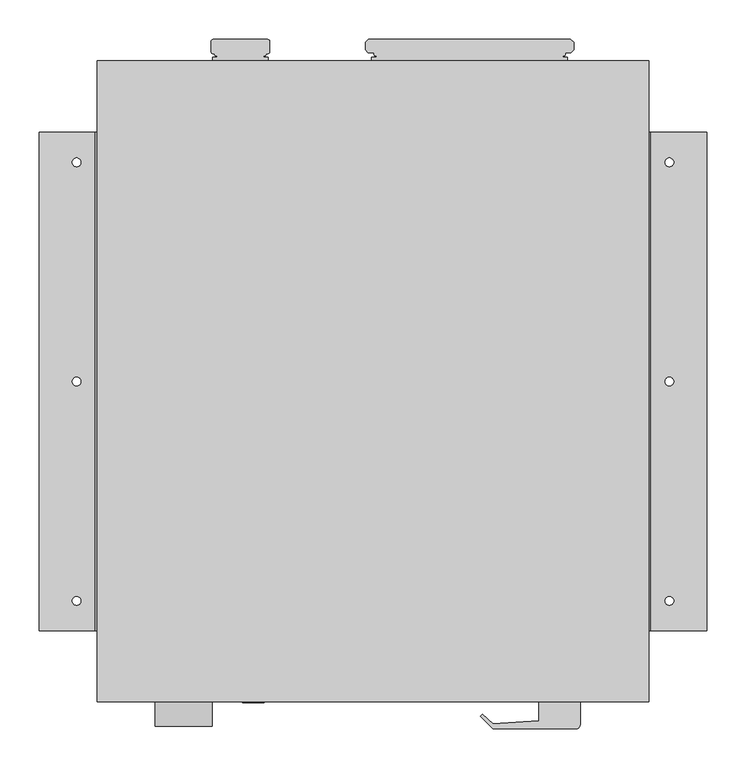
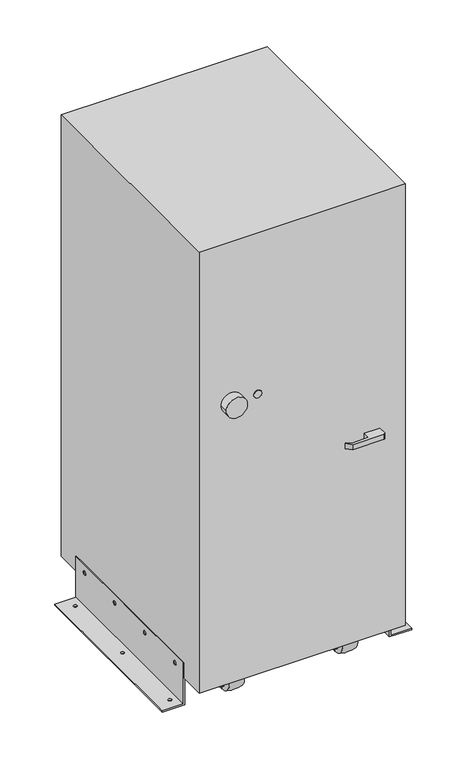
"""IFC4 building model written with IfcOpenShell, lengths in millimetres: proxy geometry."""

from ifc_helpers import new_model, si_unit, point, frame, frame_2d, origin, place, context, project, spatial, polyline, circle_curve, ellipse_curve, trimmed, segment, composite_curve, outline, extrude, source, transform, mapped, element, save
from ifc_brep_helpers import plane_surface, cylinder_surface, revolved_surface, extruded_surface, advanced_brep


def specialty_equipment_45e6154e(model_context):
    return source(origin(), model_context, "Body", "SolidModel", [
        advanced_brep(
        [(-134.6868444, 435.864, 735.0), (-203.2695943, 435.864, 735.0), (-206.441817, 432.8217426, 735.0), (-206.441817, 420.6297426, 735.0), (-203.2695943, 417.322, 735.0), (-201.6663312, 417.322, 735.0), (-201.6663312, 416.4128159, 735.0), (-200.9542508, 414.782, 735.0), (-198.6047508, 414.782, 735.0), (-198.6047508, 412.877, 735.0), (-204.5290446, 412.877, 735.0), (-204.5290446, 408.305, 735.0), (-133.4273941, 408.305, 735.0), (-133.4273941, 412.877, 735.0), (-139.351688, 412.877, 735.0), (-139.351688, 414.782, 735.0), (-137.002188, 414.782, 735.0), (-136.2901075, 416.4128159, 735.0), (-136.2901075, 417.322, 735.0), (-134.6868444, 417.322, 735.0), (-131.5146218, 420.6297426, 735.0), (-131.5146218, 432.8217426, 735.0), (-134.6868444, 435.864, 610.0), (-131.5146218, 432.8217426, 610.0), (-131.5146218, 420.6297426, 610.0), (-134.6868444, 417.322, 610.0), (-136.2901075, 417.322, 610.0), (-136.2901075, 416.4128159, 610.0), (-137.002188, 414.782, 610.0), (-139.351688, 414.782, 610.0), (-139.351688, 412.877, 610.0), (-133.4273941, 412.877, 610.0), (-133.4273941, 408.305, 610.0), (-204.5290446, 408.305, 610.0), (-204.5290446, 412.877, 610.0), (-198.6047508, 412.877, 610.0), (-198.6047508, 414.782, 610.0), (-200.9542508, 414.782, 610.0), (-201.6663312, 416.4128159, 610.0), (-201.6663312, 417.322, 610.0), (-203.2695943, 417.322, 610.0), (-206.441817, 420.6297426, 610.0), (-206.441817, 432.8217426, 610.0), (-203.2695943, 435.864, 610.0)],
        [
            (0, 1),
            (1, 2, ellipse_curve(frame((-203.2695943, 432.689, 735.0), z_axis=(0.0, 0.0, 1.0), x_axis=(0.0, 1.0, 0.0)), 3.175, 3.1749988)),
            (2, 3),
            (3, 4, ellipse_curve(frame((-203.2695943, 420.497, 735.0), z_axis=(0.0, 0.0, 1.0), x_axis=(0.0, -1.0, 0.0)), 3.175, 3.1749988)),
            (4, 5),
            (5, 6),
            (6, 7),
            (7, 8),
            (8, 9),
            (9, 10),
            (10, 11),
            (11, 12),
            (12, 13),
            (13, 14),
            (14, 15),
            (15, 16),
            (16, 17),
            (17, 18),
            (18, 19),
            (19, 20, ellipse_curve(frame((-134.6868444, 420.497, 735.0), z_axis=(0.0, 0.0, 1.0), x_axis=(0.0, -1.0, 0.0)), 3.175, 3.1749988)),
            (20, 21),
            (21, 0, ellipse_curve(frame((-134.6868444, 432.689, 735.0), z_axis=(0.0, 0.0, 1.0), x_axis=(0.0, 1.0, 0.0)), 3.175, 3.1749988)),
            (22, 23, ellipse_curve(frame((-134.6868444, 432.689, 610.0), z_axis=(0.0, 0.0, -1.0), x_axis=(0.0, 1.0, 0.0)), 3.175, 3.1749988)),
            (23, 24),
            (24, 25, ellipse_curve(frame((-134.6868444, 420.497, 610.0), z_axis=(0.0, 0.0, -1.0), x_axis=(0.0, -1.0, 0.0)), 3.175, 3.1749988)),
            (25, 26),
            (26, 27),
            (27, 28),
            (28, 29),
            (29, 30),
            (30, 31),
            (31, 32),
            (32, 33),
            (33, 34),
            (34, 35),
            (35, 36),
            (36, 37),
            (37, 38),
            (38, 39),
            (39, 40),
            (40, 41, ellipse_curve(frame((-203.2695943, 420.497, 610.0), z_axis=(0.0, 0.0, -1.0), x_axis=(0.0, -1.0, 0.0)), 3.175, 3.1749988)),
            (41, 42),
            (42, 43, ellipse_curve(frame((-203.2695943, 432.689, 610.0), z_axis=(0.0, 0.0, -1.0), x_axis=(0.0, 1.0, 0.0)), 3.175, 3.1749988)),
            (43, 22),
            (0, 22),
            (43, 1),
            (5, 39),
            (38, 6),
            (37, 7),
            (36, 8),
            (35, 9),
            (34, 10),
            (33, 11),
            (32, 12),
            (42, 2),
            (41, 3),
            (40, 4),
            (31, 13),
            (30, 14),
            (29, 15),
            (28, 16),
            (27, 17),
            (26, 18),
            (25, 19),
            (24, 20),
            (23, 21),
        ],
        [
            plane_surface(frame((-204.7742998, 435.864, 735.0), z_axis=(0.0, 0.0, 1.0), x_axis=(-1.0, 0.0, 0.0))),
            plane_surface(frame((-204.7742998, 435.864, 610.0), z_axis=(0.0, 0.0, -1.0), x_axis=(1.0, 0.0, 0.0))),
            plane_surface(frame((-134.6868444, 435.864, 735.0), z_axis=(0.0, 1.0, 0.0), x_axis=(0.0, 0.0, -1.0))),
            plane_surface(frame((-201.6663312, 417.322, 735.0), z_axis=(-1.0, 0.0, 0.0), x_axis=(0.0, 0.0, -1.0))),
            plane_surface(frame((-201.6663312, 416.4128159, 735.0), z_axis=(-0.9164463129319121, -0.40015766331972685, 0.0), x_axis=(0.0, 0.0, -1.0))),
            plane_surface(frame((-200.9542508, 414.782, 735.0), z_axis=(0.0, -1.0, 0.0), x_axis=(0.0, 0.0, -1.0))),
            plane_surface(frame((-198.6047508, 414.782, 735.0), z_axis=(-1.0, 0.0, 0.0), x_axis=(0.0, 0.0, -1.0))),
            plane_surface(frame((-198.6047508, 412.877, 735.0), z_axis=(0.0, 1.0, 0.0), x_axis=(0.0, 0.0, -1.0))),
            plane_surface(frame((-204.5290446, 412.877, 735.0), z_axis=(-1.0, 0.0, 0.0), x_axis=(0.0, 0.0, -1.0))),
            plane_surface(frame((-204.5290446, 408.305, 735.0), z_axis=(0.0, -1.0, 0.0), x_axis=(0.0, 0.0, -1.0))),
            extruded_surface(trimmed(ellipse_curve(frame((-203.2695943, 432.689, 485.0), z_axis=(0.0, 0.0, 1.0), x_axis=(0.0, 1.0, 0.0)), 3.175, 3.1749988), [point((-203.2695943, 435.864, 485.0))], [point((-206.441817, 432.8217426, 485.0))], True, "CARTESIAN"), (0.0, 0.0, 125.0), 125.0),
            plane_surface(frame((-206.441817, 432.8217426, 735.0), z_axis=(-1.0, 0.0, 0.0), x_axis=(0.0, 0.0, -1.0))),
            extruded_surface(trimmed(ellipse_curve(frame((-203.2695943, 420.497, 485.0), z_axis=(0.0, 0.0, 1.0), x_axis=(0.0, -1.0, 0.0)), 3.175, 3.1749988), [point((-206.441817, 420.6297426, 485.0))], [point((-203.2695943, 417.322, 485.0))], True, "CARTESIAN"), (0.0, 0.0, 125.0), 125.0),
            plane_surface(frame((-203.2695943, 417.322, 735.0), z_axis=(0.0, -1.0, 0.0), x_axis=(0.0, 0.0, -1.0))),
            plane_surface(frame((-133.4273941, 408.305, 735.0), z_axis=(1.0, 0.0, 0.0), x_axis=(0.0, 0.0, -1.0))),
            plane_surface(frame((-133.4273941, 412.877, 735.0), z_axis=(0.0, 1.0, 0.0), x_axis=(0.0, 0.0, -1.0))),
            plane_surface(frame((-139.351688, 412.877, 735.0), z_axis=(1.0, 0.0, 0.0), x_axis=(0.0, 0.0, -1.0))),
            plane_surface(frame((-139.351688, 414.782, 735.0), z_axis=(0.0, -1.0, 0.0), x_axis=(0.0, 0.0, -1.0))),
            plane_surface(frame((-137.002188, 414.782, 735.0), z_axis=(0.9164463129319121, -0.40015766331972685, 0.0), x_axis=(0.0, 0.0, -1.0))),
            plane_surface(frame((-136.2901075, 416.4128159, 735.0), z_axis=(1.0, 0.0, 0.0), x_axis=(0.0, 0.0, -1.0))),
            plane_surface(frame((-136.2901075, 417.322, 735.0), z_axis=(0.0, -1.0, 0.0), x_axis=(0.0, 0.0, -1.0))),
            extruded_surface(trimmed(ellipse_curve(frame((-134.6868444, 420.497, 485.0), z_axis=(0.0, 0.0, 1.0), x_axis=(0.0, -1.0, 0.0)), 3.175, 3.1749988), [point((-134.6868444, 417.322, 485.0))], [point((-131.5146218, 420.6297426, 485.0))], True, "CARTESIAN"), (0.0, 0.0, 125.0), 125.0),
            plane_surface(frame((-131.5146218, 420.6297426, 735.0), z_axis=(1.0, 0.0, 0.0), x_axis=(0.0, 0.0, -1.0))),
            extruded_surface(trimmed(ellipse_curve(frame((-134.6868444, 432.689, 485.0), z_axis=(0.0, 0.0, 1.0), x_axis=(0.0, 1.0, 0.0)), 3.175, 3.1749988), [point((-131.5146218, 432.8217426, 485.0))], [point((-134.6868444, 435.864, 485.0))], True, "CARTESIAN"), (0.0, 0.0, 125.0), 125.0),
        ],
        [
            (0, [[1, 2, 3, 4, 5, 6, 7, 8, 9, 10, 11, 12, 13, 14, 15, 16, 17, 18, 19, 20, 21, 22]]),
            (1, [[23, 24, 25, 26, 27, 28, 29, 30, 31, 32, 33, 34, 35, 36, 37, 38, 39, 40, 41, 42, 43, 44]]),
            (2, [[-1, 45, -44, 46]]),
            (3, [[-6, 47, -39, 48]]),
            (4, [[-7, -48, -38, 49]]),
            (5, [[-8, -49, -37, 50]]),
            (6, [[-9, -50, -36, 51]]),
            (7, [[-10, -51, -35, 52]]),
            (8, [[-11, -52, -34, 53]]),
            (9, [[-12, -53, -33, 54]]),
            (10, [[-2, -46, -43, 55]]),
            (11, [[-3, -55, -42, 56]]),
            (12, [[-4, -56, -41, 57]]),
            (13, [[-5, -57, -40, -47]]),
            (14, [[-13, -54, -32, 58]]),
            (15, [[-14, -58, -31, 59]]),
            (16, [[-15, -59, -30, 60]]),
            (17, [[-16, -60, -29, 61]]),
            (18, [[-17, -61, -28, 62]]),
            (19, [[-18, -62, -27, 63]]),
            (20, [[-19, -63, -26, 64]]),
            (21, [[-20, -64, -25, 65]]),
            (22, [[-21, -65, -24, 66]]),
            (23, [[-22, -66, -23, -45]]),
        ],
    ),
        extrude(outline(polyline([(251.9088496, 435.864), (255.8458496, 431.927), (255.8458496, 422.529), (252.3103157, 418.9934661), (245.1235804, 418.9934661), (245.1235804, 416.4128159), (244.4115, 414.782), (242.062, 414.782), (242.062, 412.877), (247.9862938, 412.877), (247.9862938, 408.305), (-1.7245659, 408.305), (-1.7245659, 412.877), (4.1997279, 412.877), (4.1997279, 414.782), (1.8502279, 414.782), (1.1381475, 416.4128159), (1.1381475, 418.9934661), (-6.0485878, 418.9934661), (-9.5841217, 422.529), (-9.5841217, 431.927), (-5.6471217, 435.864), (251.9088496, 435.864)])), frame((0.0, 0.0, 610.0), z_axis=(0.0, 0.0, 1.0), x_axis=(1.0, 0.0, 0.0)), (0.0, 0.0, 1.0), 125.0),
        extrude(outline(composite_curve([segment(polyline([(-336.943038, 72.8965977), (-321.1905949, 97.028), (-245.358757, 97.028), (-283.769462, 38.1860689)]), True, "CONTINUOUS"), segment(trimmed(circle_curve(frame_2d((-310.35625, 55.5413333)), 31.75), [point((-283.769462, 38.1860689))], [point((-336.943038, 72.8965977))], False, "CARTESIAN"), True, "CONTINUOUS")], self_intersect=False)), frame((156.1465, 0.0, 0.0), z_axis=(1.0, 0.0, 0.0), x_axis=(0.0, 1.0, 0.0)), (0.0, 0.0, 1.0), 6.35),
        extrude(outline(composite_curve([segment(polyline([(-336.943038, 72.8965977), (-321.1905949, 97.028), (-245.358757, 97.028), (-283.769462, 38.1860689)]), True, "CONTINUOUS"), segment(trimmed(circle_curve(frame_2d((-310.35625, 55.5413333)), 31.75), [point((-283.769462, 38.1860689))], [point((-336.943038, 72.8965977))], False, "CARTESIAN"), True, "CONTINUOUS")], self_intersect=False)), frame((224.3455, 0.0, 0.0), z_axis=(1.0, 0.0, 0.0), x_axis=(0.0, 1.0, 0.0)), (0.0, 0.0, 1.0), 6.35),
        advanced_brep(
        [(223.5835, -310.0, 48.9542667), (223.5835, -310.0, 62.1284), (240.8555, -310.0, 62.1284), (240.8555, -310.0, 48.9542667), (223.5835, -310.0, 34.8403333), (223.5835, -310.0, 76.2423333), (221.9346392, -310.0, 33.1914725), (221.9346392, -310.0, 77.8911941), (218.821, -310.0, 33.1914725), (218.821, -310.0, 77.8911941), (218.821, -310.0, 8.1914725), (218.821, -310.0, 102.8911941), (168.021, -310.0, 8.1914725), (168.021, -310.0, 102.8911941), (168.021, -310.0, 33.1914725), (168.021, -310.0, 77.8911941), (164.9073608, -310.0, 33.1914725), (164.9073608, -310.0, 77.8911941), (163.2585, -310.0, 34.8403333), (163.2585, -310.0, 76.2423333), (163.2585, -310.0, 48.9542667), (163.2585, -310.0, 62.1284), (145.9865, -310.0, 48.9542667), (145.9865, -310.0, 62.1284), (145.9865, -310.0, 55.5413333), (240.8555, -310.0, 55.5413333)],
        [
            (0, 1, circle_curve(frame((223.5835, -310.0, 55.5413333), z_axis=(1.0, 0.0, 0.0), x_axis=(0.0, 0.0, 1.0)), 6.5870667)),
            (1, 2),
            (2, 3, circle_curve(frame((240.8555, -310.0, 55.5413333), z_axis=(-1.0, 0.0, 0.0), x_axis=(0.0, 0.0, 1.0)), 6.5870667)),
            (3, 0),
            (1, 0, circle_curve(frame((223.5835, -310.0, 55.5413333), z_axis=(1.0, 0.0, 0.0), x_axis=(0.0, 0.0, 1.0)), 6.5870667)),
            (3, 2, circle_curve(frame((240.8555, -310.0, 55.5413333), z_axis=(-1.0, 0.0, 0.0), x_axis=(0.0, 0.0, 1.0)), 6.5870667)),
            (4, 5, circle_curve(frame((223.5835, -310.0, 55.5413333), z_axis=(1.0, 0.0, 0.0), x_axis=(0.0, 0.0, 1.0)), 20.701)),
            (5, 1),
            (0, 4),
            (5, 4, circle_curve(frame((223.5835, -310.0, 55.5413333), z_axis=(1.0, 0.0, 0.0), x_axis=(0.0, 0.0, 1.0)), 20.701)),
            (6, 7, circle_curve(frame((221.9346392, -310.0, 55.5413333), z_axis=(1.0, 0.0, 0.0), x_axis=(0.0, 0.0, 1.0)), 22.3498608)),
            (7, 5),
            (4, 6),
            (7, 6, circle_curve(frame((221.9346392, -310.0, 55.5413333), z_axis=(1.0, 0.0, 0.0), x_axis=(0.0, 0.0, 1.0)), 22.3498608)),
            (8, 9, circle_curve(frame((218.821, -310.0, 55.5413333), z_axis=(1.0, 0.0, 0.0), x_axis=(0.0, 0.0, 1.0)), 22.3498608)),
            (9, 7),
            (6, 8),
            (9, 8, circle_curve(frame((218.821, -310.0, 55.5413333), z_axis=(1.0, 0.0, 0.0), x_axis=(0.0, 0.0, 1.0)), 22.3498608)),
            (10, 11, circle_curve(frame((218.821, -310.0, 55.5413333), z_axis=(1.0, 0.0, 0.0), x_axis=(0.0, 0.0, 1.0)), 47.3498608)),
            (11, 9),
            (8, 10),
            (11, 10, circle_curve(frame((218.821, -310.0, 55.5413333), z_axis=(1.0, 0.0, 0.0), x_axis=(0.0, 0.0, 1.0)), 47.3498608)),
            (12, 13, circle_curve(frame((168.021, -310.0, 55.5413333), z_axis=(1.0, 0.0, 0.0), x_axis=(0.0, 0.0, 1.0)), 47.3498608)),
            (13, 11, circle_curve(frame((193.421, -310.0, 11.1185865), z_axis=(0.0, 1.0, 0.0), x_axis=(1.0, 0.0, 0.0)), 95.2227468)),
            (10, 12, circle_curve(frame((193.421, -310.0, 99.9640801), z_axis=(0.0, 1.0, 0.0), x_axis=(1.0, 0.0, 0.0)), 95.2227468)),
            (13, 12, circle_curve(frame((168.021, -310.0, 55.5413333), z_axis=(1.0, 0.0, 0.0), x_axis=(0.0, 0.0, 1.0)), 47.3498608)),
            (14, 15, circle_curve(frame((168.021, -310.0, 55.5413333), z_axis=(1.0, 0.0, 0.0), x_axis=(0.0, 0.0, 1.0)), 22.3498608)),
            (15, 13),
            (12, 14),
            (15, 14, circle_curve(frame((168.021, -310.0, 55.5413333), z_axis=(1.0, 0.0, 0.0), x_axis=(0.0, 0.0, 1.0)), 22.3498608)),
            (16, 17, circle_curve(frame((164.9073608, -310.0, 55.5413333), z_axis=(1.0, 0.0, 0.0), x_axis=(0.0, 0.0, 1.0)), 22.3498608)),
            (17, 15),
            (14, 16),
            (17, 16, circle_curve(frame((164.9073608, -310.0, 55.5413333), z_axis=(1.0, 0.0, 0.0), x_axis=(0.0, 0.0, 1.0)), 22.3498608)),
            (18, 19, circle_curve(frame((163.2585, -310.0, 55.5413333), z_axis=(1.0, 0.0, 0.0), x_axis=(0.0, 0.0, 1.0)), 20.701)),
            (19, 17),
            (16, 18),
            (19, 18, circle_curve(frame((163.2585, -310.0, 55.5413333), z_axis=(1.0, 0.0, 0.0), x_axis=(0.0, 0.0, 1.0)), 20.701)),
            (20, 21, circle_curve(frame((163.2585, -310.0, 55.5413333), z_axis=(1.0, 0.0, 0.0), x_axis=(0.0, 0.0, 1.0)), 6.5870667)),
            (21, 19),
            (18, 20),
            (21, 20, circle_curve(frame((163.2585, -310.0, 55.5413333), z_axis=(1.0, 0.0, 0.0), x_axis=(0.0, 0.0, 1.0)), 6.5870667)),
            (22, 23, circle_curve(frame((145.9865, -310.0, 55.5413333), z_axis=(1.0, 0.0, 0.0), x_axis=(0.0, 0.0, 1.0)), 6.5870667)),
            (23, 21),
            (20, 22),
            (23, 22, circle_curve(frame((145.9865, -310.0, 55.5413333), z_axis=(1.0, 0.0, 0.0), x_axis=(0.0, 0.0, 1.0)), 6.5870667)),
            (24, 23),
            (22, 24),
            (2, 25),
            (25, 3),
        ],
        [
            cylinder_surface(frame((145.9865, -310.0, 55.5413333), z_axis=(-1.0, 0.0, 0.0), x_axis=(0.0, 0.0, 1.0)), 6.5870667),
            plane_surface(frame((223.5835, -310.0, 55.5413333), z_axis=(1.0, 0.0, 0.0), x_axis=(0.0, 0.0, 1.0))),
            revolved_surface(polyline([(223.5835, -310.0, 76.2423333), (221.9346392, -310.0, 77.8911941)]), (145.9865, -310.0, 55.5413333), (-1.0, 0.0, 0.0)),
            cylinder_surface(frame((145.9865, -310.0, 55.5413333), z_axis=(-1.0, 0.0, 0.0), x_axis=(0.0, 0.0, 1.0)), 22.3498608),
            plane_surface(frame((218.821, -310.0, 55.5413333), z_axis=(1.0, 0.0, 0.0), x_axis=(0.0, 0.0, 1.0))),
            revolved_surface(trimmed(ellipse_curve(frame((193.421, -310.0, 11.1185865), z_axis=(0.0, -1.0, 0.0), x_axis=(1.0, 0.0, 0.0)), 95.2227468, 95.2227468), [point((218.821, -310.0, 102.8911941))], [point((168.021, -310.0, 102.8911941))], True, "CARTESIAN"), (145.9865, -310.0, 55.5413333), (-1.0, 0.0, 0.0)),
            plane_surface(frame((168.021, -310.0, 55.5413333), z_axis=(-1.0, 0.0, 0.0), x_axis=(0.0, 0.0, 1.0))),
            revolved_surface(polyline([(164.9073608, -310.0, 77.8911941), (163.2585, -310.0, 76.2423333)]), (145.9865, -310.0, 55.5413333), (-1.0, 0.0, 0.0)),
            plane_surface(frame((163.2585, -310.0, 55.5413333), z_axis=(-1.0, 0.0, 0.0), x_axis=(0.0, 0.0, 1.0))),
            plane_surface(frame((145.9865, -310.0, 55.5413333), z_axis=(-1.0, 0.0, 0.0), x_axis=(0.0, 0.0, 1.0))),
            plane_surface(frame((240.8555, -310.0, 55.5413333), z_axis=(1.0, 0.0, 0.0), x_axis=(0.0, 0.0, 1.0))),
        ],
        [
            (0, [[1, 2, 3, 4]]),
            (0, [[5, -4, 6, -2]]),
            (1, [[7, 8, -1, 9]]),
            (1, [[10, -9, -5, -8]]),
            (2, [[11, 12, -7, 13]]),
            (2, [[14, -13, -10, -12]]),
            (3, [[15, 16, -11, 17]]),
            (3, [[18, -17, -14, -16]]),
            (4, [[19, 20, -15, 21]]),
            (4, [[22, -21, -18, -20]]),
            (5, [[23, 24, -19, 25]]),
            (5, [[26, -25, -22, -24]]),
            (6, [[27, 28, -23, 29]]),
            (6, [[30, -29, -26, -28]]),
            (3, [[31, 32, -27, 33]]),
            (3, [[34, -33, -30, -32]]),
            (7, [[35, 36, -31, 37]]),
            (7, [[38, -37, -34, -36]]),
            (8, [[39, 40, -35, 41]]),
            (8, [[42, -41, -38, -40]]),
            (0, [[43, 44, -39, 45]]),
            (0, [[46, -45, -42, -44]]),
            (9, [[47, -43, 48]]),
            (9, [[-48, -46, -47]]),
            (10, [[-3, 49, 50]]),
            (10, [[-6, -50, -49]]),
        ],
    ),
        extrude(outline(composite_curve([segment(polyline([(-336.943038, 72.8965977), (-321.1905949, 97.028), (-245.358757, 97.028), (-283.769462, 38.1860689)]), True, "CONTINUOUS"), segment(trimmed(circle_curve(frame_2d((-310.35625, 55.5413333)), 31.75), [point((-283.769462, 38.1860689))], [point((-336.943038, 72.8965977))], False, "CARTESIAN"), True, "CONTINUOUS")], self_intersect=False)), frame((-230.8225, 0.0, 0.0), z_axis=(1.0, 0.0, 0.0), x_axis=(0.0, 1.0, 0.0)), (0.0, 0.0, 1.0), 6.35),
        extrude(outline(composite_curve([segment(polyline([(-336.943038, 72.8965977), (-321.1905949, 97.028), (-245.358757, 97.028), (-283.769462, 38.1860689)]), True, "CONTINUOUS"), segment(trimmed(circle_curve(frame_2d((-310.35625, 55.5413333)), 31.75), [point((-283.769462, 38.1860689))], [point((-336.943038, 72.8965977))], False, "CARTESIAN"), True, "CONTINUOUS")], self_intersect=False)), frame((-162.6235, 0.0, 0.0), z_axis=(1.0, 0.0, 0.0), x_axis=(0.0, 1.0, 0.0)), (0.0, 0.0, 1.0), 6.35),
        advanced_brep(
        [(-163.3855, -310.0, 48.9542667), (-163.3855, -310.0, 62.1284), (-146.1135, -310.0, 62.1284), (-146.1135, -310.0, 48.9542667), (-163.3855, -310.0, 34.8403333), (-163.3855, -310.0, 76.2423333), (-165.0343608, -310.0, 33.1914725), (-165.0343608, -310.0, 77.8911941), (-168.148, -310.0, 33.1914725), (-168.148, -310.0, 77.8911941), (-168.148, -310.0, 8.1914725), (-168.148, -310.0, 102.8911941), (-218.948, -310.0, 8.1914725), (-218.948, -310.0, 102.8911941), (-218.948, -310.0, 33.1914725), (-218.948, -310.0, 77.8911941), (-222.0616392, -310.0, 33.1914725), (-222.0616392, -310.0, 77.8911941), (-223.7105, -310.0, 34.8403333), (-223.7105, -310.0, 76.2423333), (-223.7105, -310.0, 48.9542667), (-223.7105, -310.0, 62.1284), (-240.9825, -310.0, 48.9542667), (-240.9825, -310.0, 62.1284), (-240.9825, -310.0, 55.5413333), (-146.1135, -310.0, 55.5413333)],
        [
            (0, 1, circle_curve(frame((-163.3855, -310.0, 55.5413333), z_axis=(1.0, 0.0, 0.0), x_axis=(0.0, 0.0, 1.0)), 6.5870667)),
            (1, 2),
            (2, 3, circle_curve(frame((-146.1135, -310.0, 55.5413333), z_axis=(-1.0, 0.0, 0.0), x_axis=(0.0, 0.0, 1.0)), 6.5870667)),
            (3, 0),
            (1, 0, circle_curve(frame((-163.3855, -310.0, 55.5413333), z_axis=(1.0, 0.0, 0.0), x_axis=(0.0, 0.0, 1.0)), 6.5870667)),
            (3, 2, circle_curve(frame((-146.1135, -310.0, 55.5413333), z_axis=(-1.0, 0.0, 0.0), x_axis=(0.0, 0.0, 1.0)), 6.5870667)),
            (4, 5, circle_curve(frame((-163.3855, -310.0, 55.5413333), z_axis=(1.0, 0.0, 0.0), x_axis=(0.0, 0.0, 1.0)), 20.701)),
            (5, 1),
            (0, 4),
            (5, 4, circle_curve(frame((-163.3855, -310.0, 55.5413333), z_axis=(1.0, 0.0, 0.0), x_axis=(0.0, 0.0, 1.0)), 20.701)),
            (6, 7, circle_curve(frame((-165.0343608, -310.0, 55.5413333), z_axis=(1.0, 0.0, 0.0), x_axis=(0.0, 0.0, 1.0)), 22.3498608)),
            (7, 5),
            (4, 6),
            (7, 6, circle_curve(frame((-165.0343608, -310.0, 55.5413333), z_axis=(1.0, 0.0, 0.0), x_axis=(0.0, 0.0, 1.0)), 22.3498608)),
            (8, 9, circle_curve(frame((-168.148, -310.0, 55.5413333), z_axis=(1.0, 0.0, 0.0), x_axis=(0.0, 0.0, 1.0)), 22.3498608)),
            (9, 7),
            (6, 8),
            (9, 8, circle_curve(frame((-168.148, -310.0, 55.5413333), z_axis=(1.0, 0.0, 0.0), x_axis=(0.0, 0.0, 1.0)), 22.3498608)),
            (10, 11, circle_curve(frame((-168.148, -310.0, 55.5413333), z_axis=(1.0, 0.0, 0.0), x_axis=(0.0, 0.0, 1.0)), 47.3498608)),
            (11, 9),
            (8, 10),
            (11, 10, circle_curve(frame((-168.148, -310.0, 55.5413333), z_axis=(1.0, 0.0, 0.0), x_axis=(0.0, 0.0, 1.0)), 47.3498608)),
            (12, 13, circle_curve(frame((-218.948, -310.0, 55.5413333), z_axis=(1.0, 0.0, 0.0), x_axis=(0.0, 0.0, 1.0)), 47.3498608)),
            (13, 11, circle_curve(frame((-193.548, -310.0, 11.1185865), z_axis=(0.0, 1.0, 0.0), x_axis=(1.0, 0.0, 0.0)), 95.2227468)),
            (10, 12, circle_curve(frame((-193.548, -310.0, 99.9640801), z_axis=(0.0, 1.0, 0.0), x_axis=(1.0, 0.0, 0.0)), 95.2227468)),
            (13, 12, circle_curve(frame((-218.948, -310.0, 55.5413333), z_axis=(1.0, 0.0, 0.0), x_axis=(0.0, 0.0, 1.0)), 47.3498608)),
            (14, 15, circle_curve(frame((-218.948, -310.0, 55.5413333), z_axis=(1.0, 0.0, 0.0), x_axis=(0.0, 0.0, 1.0)), 22.3498608)),
            (15, 13),
            (12, 14),
            (15, 14, circle_curve(frame((-218.948, -310.0, 55.5413333), z_axis=(1.0, 0.0, 0.0), x_axis=(0.0, 0.0, 1.0)), 22.3498608)),
            (16, 17, circle_curve(frame((-222.0616392, -310.0, 55.5413333), z_axis=(1.0, 0.0, 0.0), x_axis=(0.0, 0.0, 1.0)), 22.3498608)),
            (17, 15),
            (14, 16),
            (17, 16, circle_curve(frame((-222.0616392, -310.0, 55.5413333), z_axis=(1.0, 0.0, 0.0), x_axis=(0.0, 0.0, 1.0)), 22.3498608)),
            (18, 19, circle_curve(frame((-223.7105, -310.0, 55.5413333), z_axis=(1.0, 0.0, 0.0), x_axis=(0.0, 0.0, 1.0)), 20.701)),
            (19, 17),
            (16, 18),
            (19, 18, circle_curve(frame((-223.7105, -310.0, 55.5413333), z_axis=(1.0, 0.0, 0.0), x_axis=(0.0, 0.0, 1.0)), 20.701)),
            (20, 21, circle_curve(frame((-223.7105, -310.0, 55.5413333), z_axis=(1.0, 0.0, 0.0), x_axis=(0.0, 0.0, 1.0)), 6.5870667)),
            (21, 19),
            (18, 20),
            (21, 20, circle_curve(frame((-223.7105, -310.0, 55.5413333), z_axis=(1.0, 0.0, 0.0), x_axis=(0.0, 0.0, 1.0)), 6.5870667)),
            (22, 23, circle_curve(frame((-240.9825, -310.0, 55.5413333), z_axis=(1.0, 0.0, 0.0), x_axis=(0.0, 0.0, 1.0)), 6.5870667)),
            (23, 21),
            (20, 22),
            (23, 22, circle_curve(frame((-240.9825, -310.0, 55.5413333), z_axis=(1.0, 0.0, 0.0), x_axis=(0.0, 0.0, 1.0)), 6.5870667)),
            (24, 23),
            (22, 24),
            (2, 25),
            (25, 3),
        ],
        [
            cylinder_surface(frame((-240.9825, -310.0, 55.5413333), z_axis=(-1.0, 0.0, 0.0), x_axis=(0.0, 0.0, 1.0)), 6.5870667),
            plane_surface(frame((-163.3855, -310.0, 55.5413333), z_axis=(1.0, 0.0, 0.0), x_axis=(0.0, 0.0, 1.0))),
            revolved_surface(polyline([(-163.3855, -310.0, 76.2423333), (-165.0343608, -310.0, 77.8911941)]), (-240.9825, -310.0, 55.5413333), (-1.0, 0.0, 0.0)),
            cylinder_surface(frame((-240.9825, -310.0, 55.5413333), z_axis=(-1.0, 0.0, 0.0), x_axis=(0.0, 0.0, 1.0)), 22.3498608),
            plane_surface(frame((-168.148, -310.0, 55.5413333), z_axis=(1.0, 0.0, 0.0), x_axis=(0.0, 0.0, 1.0))),
            revolved_surface(trimmed(ellipse_curve(frame((-193.548, -310.0, 11.1185865), z_axis=(0.0, -1.0, 0.0), x_axis=(1.0, 0.0, 0.0)), 95.2227468, 95.2227468), [point((-168.148, -310.0, 102.8911941))], [point((-218.948, -310.0, 102.8911941))], True, "CARTESIAN"), (-240.9825, -310.0, 55.5413333), (-1.0, 0.0, 0.0)),
            plane_surface(frame((-218.948, -310.0, 55.5413333), z_axis=(-1.0, 0.0, 0.0), x_axis=(0.0, 0.0, 1.0))),
            revolved_surface(polyline([(-222.0616392, -310.0, 77.8911941), (-223.7105, -310.0, 76.2423333)]), (-240.9825, -310.0, 55.5413333), (-1.0, 0.0, 0.0)),
            plane_surface(frame((-223.7105, -310.0, 55.5413333), z_axis=(-1.0, 0.0, 0.0), x_axis=(0.0, 0.0, 1.0))),
            plane_surface(frame((-240.9825, -310.0, 55.5413333), z_axis=(-1.0, 0.0, 0.0), x_axis=(0.0, 0.0, 1.0))),
            plane_surface(frame((-146.1135, -310.0, 55.5413333), z_axis=(1.0, 0.0, 0.0), x_axis=(0.0, 0.0, 1.0))),
        ],
        [
            (0, [[1, 2, 3, 4]]),
            (0, [[5, -4, 6, -2]]),
            (1, [[7, 8, -1, 9]]),
            (1, [[10, -9, -5, -8]]),
            (2, [[11, 12, -7, 13]]),
            (2, [[14, -13, -10, -12]]),
            (3, [[15, 16, -11, 17]]),
            (3, [[18, -17, -14, -16]]),
            (4, [[19, 20, -15, 21]]),
            (4, [[22, -21, -18, -20]]),
            (5, [[23, 24, -19, 25]]),
            (5, [[26, -25, -22, -24]]),
            (6, [[27, 28, -23, 29]]),
            (6, [[30, -29, -26, -28]]),
            (3, [[31, 32, -27, 33]]),
            (3, [[34, -33, -30, -32]]),
            (7, [[35, 36, -31, 37]]),
            (7, [[38, -37, -34, -36]]),
            (8, [[39, 40, -35, 41]]),
            (8, [[42, -41, -38, -40]]),
            (0, [[43, 44, -39, 45]]),
            (0, [[46, -45, -42, -44]]),
            (9, [[47, -43, 48]]),
            (9, [[-48, -46, -47]]),
            (10, [[-3, 49, 50]]),
            (10, [[-6, -50, -49]]),
        ],
    ),
        extrude(outline(composite_curve([segment(trimmed(circle_curve(frame_2d((1108.4804466, -241.3986476)), 36.195), [point((1108.4804466, -277.5936476))], [point((1108.4804466, -205.2036476))], False, "CARTESIAN"), True, "CONTINUOUS"), segment(trimmed(circle_curve(frame_2d((1108.4804466, -241.3986476)), 36.195), [point((1108.4804466, -205.2036476))], [point((1108.4804466, -277.5936476))], False, "CARTESIAN"), True, "CONTINUOUS")], self_intersect=False)), frame((0.0, -439.547, 0.0), z_axis=(0.0, 1.0, 0.0), x_axis=(0.0, 0.0, 1.0)), (0.0, 0.0, 1.0), 31.242),
        extrude(outline(composite_curve([segment(trimmed(circle_curve(frame_2d((1108.456, -152.4635)), 13.462), [point((1108.456, -165.9255))], [point((1108.456, -139.0015))], False, "CARTESIAN"), True, "CONTINUOUS"), segment(trimmed(circle_curve(frame_2d((1108.456, -152.4635)), 13.462), [point((1108.456, -139.0015))], [point((1108.456, -165.9255))], False, "CARTESIAN"), True, "CONTINUOUS")], self_intersect=False)), frame((0.0, -409.575, 0.0), z_axis=(0.0, 1.0, 0.0), x_axis=(0.0, 0.0, 1.0)), (0.0, 0.0, 1.0), 1.27),
        extrude(outline(composite_curve([segment(polyline([(211.8747846, -432.5881715), (211.8747846, -408.305), (264.1960377, -408.305), (264.1960377, -437.6191099)]), True, "CONTINUOUS"), segment(trimmed(circle_curve(frame_2d((259.4462472, -437.6191099)), 4.7497905), [point((264.1960377, -437.6191099))], [point((259.4462472, -442.3689004))], False, "CARTESIAN"), True, "CONTINUOUS"), segment(polyline([(259.4462472, -442.3689004), (153.0015731, -442.3689004), (137.1438771, -426.5112044), (139.4607815, -424.1943), (153.0968267, -435.9583928), (211.8747846, -432.5881715)]), True, "CONTINUOUS")], self_intersect=False)), frame((0.0, 0.0, 820.6561932), z_axis=(0.0, 0.0, 1.0), x_axis=(1.0, 0.0, 0.0)), (0.0, 0.0, 1.0), 18.5155146),
        advanced_brep(
        [(353.8855, -317.5, 4.572), (353.8855, -317.5, 152.4), (349.3135, -317.5, 152.4), (349.3135, -317.5, 0.0), (425.5135, -317.5, 0.0), (425.5135, -317.5, 4.572), (353.8855, 317.5, 4.572), (425.5135, 317.5, 4.572), (425.5135, 317.5, 0.0), (349.3135, 317.5, 0.0), (349.3135, 317.5, 152.4), (353.8855, 317.5, 152.4), (353.8855, -260.1727619, 122.682), (353.8855, -273.2272381, 122.682), (353.8855, -82.3727619, 122.682), (353.8855, -95.4272381, 122.682), (353.8855, 95.4272381, 122.682), (353.8855, 82.3727619, 122.682), (353.8855, 273.2272381, 122.682), (353.8855, 260.1727619, 122.682), (349.3135, -273.2272381, 122.682), (349.3135, -260.1727619, 122.682), (349.3135, -95.4272381, 122.682), (349.3135, -82.3727619, 122.682), (349.3135, 82.3727619, 122.682), (349.3135, 95.4272381, 122.682), (349.3135, 260.1727619, 122.682), (349.3135, 273.2272381, 122.682), (383.4384, 279.4, 0.0), (372.3386, 279.4, 0.0), (383.4384, 0.0, 0.0), (372.3386, 0.0, 0.0), (383.4384, -279.4, 0.0), (372.3386, -279.4, 0.0), (372.3386, 279.4, 4.572), (383.4384, 279.4, 4.572), (372.3386, 0.0, 4.572), (383.4384, 0.0, 4.572), (372.3386, -279.4, 4.572), (383.4384, -279.4, 4.572)],
        [
            (0, 1),
            (1, 2),
            (2, 3),
            (3, 4),
            (4, 5),
            (5, 0),
            (6, 7),
            (7, 8),
            (8, 9),
            (9, 10),
            (10, 11),
            (11, 6),
            (0, 6),
            (11, 1),
            (12, 13, circle_curve(frame((353.8855, -266.7, 122.682), z_axis=(-1.0, 0.0, 0.0), x_axis=(0.0, 1.0, 0.0)), 6.5272381)),
            (13, 12, circle_curve(frame((353.8855, -266.7, 122.682), z_axis=(-1.0, 0.0, 0.0), x_axis=(0.0, 1.0, 0.0)), 6.5272381)),
            (14, 15, circle_curve(frame((353.8855, -88.9, 122.682), z_axis=(-1.0, 0.0, 0.0), x_axis=(0.0, 1.0, 0.0)), 6.5272381)),
            (15, 14, circle_curve(frame((353.8855, -88.9, 122.682), z_axis=(-1.0, 0.0, 0.0), x_axis=(0.0, 1.0, 0.0)), 6.5272381)),
            (16, 17, circle_curve(frame((353.8855, 88.9, 122.682), z_axis=(-1.0, 0.0, 0.0), x_axis=(0.0, 1.0, 0.0)), 6.5272381)),
            (17, 16, circle_curve(frame((353.8855, 88.9, 122.682), z_axis=(-1.0, 0.0, 0.0), x_axis=(0.0, 1.0, 0.0)), 6.5272381)),
            (18, 19, circle_curve(frame((353.8855, 266.7, 122.682), z_axis=(-1.0, 0.0, 0.0), x_axis=(0.0, 1.0, 0.0)), 6.5272381)),
            (19, 18, circle_curve(frame((353.8855, 266.7, 122.682), z_axis=(-1.0, 0.0, 0.0), x_axis=(0.0, 1.0, 0.0)), 6.5272381)),
            (10, 2),
            (9, 3),
            (20, 21, circle_curve(frame((349.3135, -266.7, 122.682), z_axis=(1.0, 0.0, 0.0), x_axis=(0.0, 1.0, 0.0)), 6.5272381)),
            (21, 20, circle_curve(frame((349.3135, -266.7, 122.682), z_axis=(1.0, 0.0, 0.0), x_axis=(0.0, 1.0, 0.0)), 6.5272381)),
            (22, 23, circle_curve(frame((349.3135, -88.9, 122.682), z_axis=(1.0, 0.0, 0.0), x_axis=(0.0, 1.0, 0.0)), 6.5272381)),
            (23, 22, circle_curve(frame((349.3135, -88.9, 122.682), z_axis=(1.0, 0.0, 0.0), x_axis=(0.0, 1.0, 0.0)), 6.5272381)),
            (24, 25, circle_curve(frame((349.3135, 88.9, 122.682), z_axis=(1.0, 0.0, 0.0), x_axis=(0.0, 1.0, 0.0)), 6.5272381)),
            (25, 24, circle_curve(frame((349.3135, 88.9, 122.682), z_axis=(1.0, 0.0, 0.0), x_axis=(0.0, 1.0, 0.0)), 6.5272381)),
            (26, 27, circle_curve(frame((349.3135, 266.7, 122.682), z_axis=(1.0, 0.0, 0.0), x_axis=(0.0, 1.0, 0.0)), 6.5272381)),
            (27, 26, circle_curve(frame((349.3135, 266.7, 122.682), z_axis=(1.0, 0.0, 0.0), x_axis=(0.0, 1.0, 0.0)), 6.5272381)),
            (8, 4),
            (28, 29, circle_curve(frame((377.8885, 279.4, 0.0), z_axis=(0.0, 0.0, 1.0), x_axis=(-1.0, 0.0, 0.0)), 5.5499)),
            (29, 28, circle_curve(frame((377.8885, 279.4, 0.0), z_axis=(0.0, 0.0, 1.0), x_axis=(-1.0, 0.0, 0.0)), 5.5499)),
            (30, 31, circle_curve(frame((377.8885, 0.0, 0.0), z_axis=(0.0, 0.0, 1.0), x_axis=(-1.0, 0.0, 0.0)), 5.5499)),
            (31, 30, circle_curve(frame((377.8885, 0.0, 0.0), z_axis=(0.0, 0.0, 1.0), x_axis=(-1.0, 0.0, 0.0)), 5.5499)),
            (32, 33, circle_curve(frame((377.8885, -279.4, 0.0), z_axis=(0.0, 0.0, 1.0), x_axis=(-1.0, 0.0, 0.0)), 5.5499)),
            (33, 32, circle_curve(frame((377.8885, -279.4, 0.0), z_axis=(0.0, 0.0, 1.0), x_axis=(-1.0, 0.0, 0.0)), 5.5499)),
            (7, 5),
            (34, 35, circle_curve(frame((377.8885, 279.4, 4.572), z_axis=(0.0, 0.0, -1.0), x_axis=(-1.0, 0.0, 0.0)), 5.5499)),
            (35, 34, circle_curve(frame((377.8885, 279.4, 4.572), z_axis=(0.0, 0.0, -1.0), x_axis=(-1.0, 0.0, 0.0)), 5.5499)),
            (36, 37, circle_curve(frame((377.8885, 0.0, 4.572), z_axis=(0.0, 0.0, -1.0), x_axis=(-1.0, 0.0, 0.0)), 5.5499)),
            (37, 36, circle_curve(frame((377.8885, 0.0, 4.572), z_axis=(0.0, 0.0, -1.0), x_axis=(-1.0, 0.0, 0.0)), 5.5499)),
            (38, 39, circle_curve(frame((377.8885, -279.4, 4.572), z_axis=(0.0, 0.0, -1.0), x_axis=(-1.0, 0.0, 0.0)), 5.5499)),
            (39, 38, circle_curve(frame((377.8885, -279.4, 4.572), z_axis=(0.0, 0.0, -1.0), x_axis=(-1.0, 0.0, 0.0)), 5.5499)),
            (28, 35),
            (34, 29),
            (30, 37),
            (36, 31),
            (32, 39),
            (38, 33),
            (12, 21),
            (20, 13),
            (14, 23),
            (22, 15),
            (16, 25),
            (24, 17),
            (18, 27),
            (26, 19),
        ],
        [
            plane_surface(frame((353.8855, -317.5, 4.572), z_axis=(0.0, -1.0, 0.0), x_axis=(0.0, 0.0, 1.0))),
            plane_surface(frame((353.8855, 317.5, 4.572), z_axis=(0.0, 1.0, 0.0), x_axis=(0.0, 0.0, -1.0))),
            plane_surface(frame((353.8855, -317.5, 4.572), z_axis=(1.0, 0.0, 0.0), x_axis=(0.0, 1.0, 0.0))),
            plane_surface(frame((353.8855, -317.5, 152.4), z_axis=(0.0, 0.0, 1.0), x_axis=(0.0, 1.0, 0.0))),
            plane_surface(frame((349.3135, -317.5, 152.4), z_axis=(-1.0, 0.0, 0.0), x_axis=(0.0, 1.0, 0.0))),
            plane_surface(frame((349.3135, -317.5, 0.0), z_axis=(0.0, 0.0, -1.0), x_axis=(0.0, 1.0, 0.0))),
            plane_surface(frame((425.5135, -317.5, 0.0), z_axis=(1.0, 0.0, 0.0), x_axis=(0.0, 1.0, 0.0))),
            plane_surface(frame((425.5135, -317.5, 4.572), z_axis=(0.0, 0.0, 1.0), x_axis=(0.0, 1.0, 0.0))),
            revolved_surface(polyline([(372.33860000000004, 279.4, 4.572), (372.33860000000004, 279.4, 0.0)]), (377.8885, 279.4, 0.0), (0.0, 0.0, 1.0)),
            revolved_surface(polyline([(372.33860000000004, 0.0, 4.572), (372.33860000000004, 0.0, 0.0)]), (377.8885, 0.0, 0.0), (0.0, 0.0, 1.0)),
            revolved_surface(polyline([(372.33860000000004, -279.4, 4.572), (372.33860000000004, -279.4, 0.0)]), (377.8885, -279.4, 0.0), (0.0, 0.0, 1.0)),
            revolved_surface(polyline([(353.8855, -260.1727619, 122.682), (349.3135, -260.1727619, 122.682)]), (349.3135, -266.7, 122.682), (1.0, 0.0, 0.0)),
            revolved_surface(polyline([(353.8855, -82.3727619, 122.682), (349.3135, -82.3727619, 122.682)]), (495.0, -88.9, 122.682), (1.0, 0.0, 0.0)),
            revolved_surface(polyline([(353.8855, 95.42723810000001, 122.682), (349.3135, 95.42723810000001, 122.682)]), (495.0, 88.9, 122.682), (1.0, 0.0, 0.0)),
            revolved_surface(polyline([(353.8855, 273.22723809999997, 122.682), (349.3135, 273.22723809999997, 122.682)]), (495.0, 266.7, 122.682), (1.0, 0.0, 0.0)),
        ],
        [
            (0, [[1, 2, 3, 4, 5, 6]]),
            (1, [[7, 8, 9, 10, 11, 12]]),
            (2, [[-1, 13, -12, 14], [15, 16], [17, 18], [19, 20], [21, 22]]),
            (3, [[-2, -14, -11, 23]]),
            (4, [[-3, -23, -10, 24], [25, 26], [27, 28], [29, 30], [31, 32]]),
            (5, [[-4, -24, -9, 33], [34, 35], [36, 37], [38, 39]]),
            (6, [[-5, -33, -8, 40]]),
            (7, [[-6, -40, -7, -13], [41, 42], [43, 44], [45, 46]]),
            (8, [[47, -41, 48, -34]]),
            (8, [[-47, -35, -48, -42]]),
            (9, [[49, -43, 50, -36]]),
            (9, [[-49, -37, -50, -44]]),
            (10, [[51, -45, 52, -38]]),
            (10, [[-51, -39, -52, -46]]),
            (11, [[53, -25, 54, -15]]),
            (11, [[-53, -16, -54, -26]]),
            (12, [[55, -27, 56, -17]]),
            (12, [[-55, -18, -56, -28]]),
            (13, [[57, -29, 58, -19]]),
            (13, [[-57, -20, -58, -30]]),
            (14, [[59, -31, 60, -21]]),
            (14, [[-59, -22, -60, -32]]),
        ],
    ),
        advanced_brep(
        [(-353.8855, -317.5, 4.572), (-425.5135, -317.5, 4.572), (-425.5135, -317.5, 0.0), (-349.3135, -317.5, 0.0), (-349.3135, -317.5, 152.4), (-353.8855, -317.5, 152.4), (-353.8855, 317.5, 4.572), (-353.8855, 317.5, 152.4), (-349.3135, 317.5, 152.4), (-349.3135, 317.5, 0.0), (-425.5135, 317.5, 0.0), (-425.5135, 317.5, 4.572), (-372.3386, 279.4, 4.572), (-383.4384, 279.4, 4.572), (-372.3386, 0.0, 4.572), (-383.4384, 0.0, 4.572), (-372.3386, -279.4, 4.572), (-383.4384, -279.4, 4.572), (-383.4384, 279.4, 0.0), (-372.3386, 279.4, 0.0), (-383.4384, 0.0, 0.0), (-372.3386, 0.0, 0.0), (-383.4384, -279.4, 0.0), (-372.3386, -279.4, 0.0), (-349.3135, -260.1727619, 122.682), (-349.3135, -273.2272381, 122.682), (-349.3135, -82.3727619, 122.682), (-349.3135, -95.4272381, 122.682), (-349.3135, 95.4272381, 122.682), (-349.3135, 82.3727619, 122.682), (-349.3135, 273.2272381, 122.682), (-349.3135, 260.1727619, 122.682), (-353.8855, -273.2272381, 122.682), (-353.8855, -260.1727619, 122.682), (-353.8855, -95.4272381, 122.682), (-353.8855, -82.3727619, 122.682), (-353.8855, 82.3727619, 122.682), (-353.8855, 95.4272381, 122.682), (-353.8855, 260.1727619, 122.682), (-353.8855, 273.2272381, 122.682)],
        [
            (0, 1),
            (1, 2),
            (2, 3),
            (3, 4),
            (4, 5),
            (5, 0),
            (6, 7),
            (7, 8),
            (8, 9),
            (9, 10),
            (10, 11),
            (11, 6),
            (0, 6),
            (11, 1),
            (12, 13, circle_curve(frame((-377.8885, 279.4, 4.572), z_axis=(0.0, 0.0, -1.0), x_axis=(1.0, 0.0, 0.0)), 5.5499)),
            (13, 12, circle_curve(frame((-377.8885, 279.4, 4.572), z_axis=(0.0, 0.0, -1.0), x_axis=(1.0, 0.0, 0.0)), 5.5499)),
            (14, 15, circle_curve(frame((-377.8885, 0.0, 4.572), z_axis=(0.0, 0.0, -1.0), x_axis=(1.0, 0.0, 0.0)), 5.5499)),
            (15, 14, circle_curve(frame((-377.8885, 0.0, 4.572), z_axis=(0.0, 0.0, -1.0), x_axis=(1.0, 0.0, 0.0)), 5.5499)),
            (16, 17, circle_curve(frame((-377.8885, -279.4, 4.572), z_axis=(0.0, 0.0, -1.0), x_axis=(1.0, 0.0, 0.0)), 5.5499)),
            (17, 16, circle_curve(frame((-377.8885, -279.4, 4.572), z_axis=(0.0, 0.0, -1.0), x_axis=(1.0, 0.0, 0.0)), 5.5499)),
            (10, 2),
            (9, 3),
            (18, 19, circle_curve(frame((-377.8885, 279.4, 0.0), z_axis=(0.0, 0.0, 1.0), x_axis=(1.0, 0.0, 0.0)), 5.5499)),
            (19, 18, circle_curve(frame((-377.8885, 279.4, 0.0), z_axis=(0.0, 0.0, 1.0), x_axis=(1.0, 0.0, 0.0)), 5.5499)),
            (20, 21, circle_curve(frame((-377.8885, 0.0, 0.0), z_axis=(0.0, 0.0, 1.0), x_axis=(1.0, 0.0, 0.0)), 5.5499)),
            (21, 20, circle_curve(frame((-377.8885, 0.0, 0.0), z_axis=(0.0, 0.0, 1.0), x_axis=(1.0, 0.0, 0.0)), 5.5499)),
            (22, 23, circle_curve(frame((-377.8885, -279.4, 0.0), z_axis=(0.0, 0.0, 1.0), x_axis=(1.0, 0.0, 0.0)), 5.5499)),
            (23, 22, circle_curve(frame((-377.8885, -279.4, 0.0), z_axis=(0.0, 0.0, 1.0), x_axis=(1.0, 0.0, 0.0)), 5.5499)),
            (8, 4),
            (24, 25, circle_curve(frame((-349.3135, -266.7, 122.682), z_axis=(-1.0, 0.0, 0.0), x_axis=(0.0, 1.0, 0.0)), 6.5272381)),
            (25, 24, circle_curve(frame((-349.3135, -266.7, 122.682), z_axis=(-1.0, 0.0, 0.0), x_axis=(0.0, 1.0, 0.0)), 6.5272381)),
            (26, 27, circle_curve(frame((-349.3135, -88.9, 122.682), z_axis=(-1.0, 0.0, 0.0), x_axis=(0.0, 1.0, 0.0)), 6.5272381)),
            (27, 26, circle_curve(frame((-349.3135, -88.9, 122.682), z_axis=(-1.0, 0.0, 0.0), x_axis=(0.0, 1.0, 0.0)), 6.5272381)),
            (28, 29, circle_curve(frame((-349.3135, 88.9, 122.682), z_axis=(-1.0, 0.0, 0.0), x_axis=(0.0, 1.0, 0.0)), 6.5272381)),
            (29, 28, circle_curve(frame((-349.3135, 88.9, 122.682), z_axis=(-1.0, 0.0, 0.0), x_axis=(0.0, 1.0, 0.0)), 6.5272381)),
            (30, 31, circle_curve(frame((-349.3135, 266.7, 122.682), z_axis=(-1.0, 0.0, 0.0), x_axis=(0.0, 1.0, 0.0)), 6.5272381)),
            (31, 30, circle_curve(frame((-349.3135, 266.7, 122.682), z_axis=(-1.0, 0.0, 0.0), x_axis=(0.0, 1.0, 0.0)), 6.5272381)),
            (7, 5),
            (32, 33, circle_curve(frame((-353.8855, -266.7, 122.682), z_axis=(1.0, 0.0, 0.0), x_axis=(0.0, 1.0, 0.0)), 6.5272381)),
            (33, 32, circle_curve(frame((-353.8855, -266.7, 122.682), z_axis=(1.0, 0.0, 0.0), x_axis=(0.0, 1.0, 0.0)), 6.5272381)),
            (34, 35, circle_curve(frame((-353.8855, -88.9, 122.682), z_axis=(1.0, 0.0, 0.0), x_axis=(0.0, 1.0, 0.0)), 6.5272381)),
            (35, 34, circle_curve(frame((-353.8855, -88.9, 122.682), z_axis=(1.0, 0.0, 0.0), x_axis=(0.0, 1.0, 0.0)), 6.5272381)),
            (36, 37, circle_curve(frame((-353.8855, 88.9, 122.682), z_axis=(1.0, 0.0, 0.0), x_axis=(0.0, 1.0, 0.0)), 6.5272381)),
            (37, 36, circle_curve(frame((-353.8855, 88.9, 122.682), z_axis=(1.0, 0.0, 0.0), x_axis=(0.0, 1.0, 0.0)), 6.5272381)),
            (38, 39, circle_curve(frame((-353.8855, 266.7, 122.682), z_axis=(1.0, 0.0, 0.0), x_axis=(0.0, 1.0, 0.0)), 6.5272381)),
            (39, 38, circle_curve(frame((-353.8855, 266.7, 122.682), z_axis=(1.0, 0.0, 0.0), x_axis=(0.0, 1.0, 0.0)), 6.5272381)),
            (18, 13),
            (12, 19),
            (20, 15),
            (14, 21),
            (22, 17),
            (16, 23),
            (32, 25),
            (24, 33),
            (34, 27),
            (26, 35),
            (36, 29),
            (28, 37),
            (38, 31),
            (30, 39),
        ],
        [
            plane_surface(frame((353.8855, -317.5, 4.572), z_axis=(0.0, -1.0, 0.0), x_axis=(0.0, 0.0, 1.0))),
            plane_surface(frame((353.8855, 317.5, 4.572), z_axis=(0.0, 1.0, 0.0), x_axis=(0.0, 0.0, -1.0))),
            plane_surface(frame((-353.8855, -317.5, 4.572), z_axis=(0.0, 0.0, 1.0), x_axis=(0.0, 1.0, 0.0))),
            plane_surface(frame((-425.5135, -317.5, 4.572), z_axis=(-1.0, 0.0, 0.0), x_axis=(0.0, 1.0, 0.0))),
            plane_surface(frame((-425.5135, -317.5, 0.0), z_axis=(0.0, 0.0, -1.0), x_axis=(0.0, 1.0, 0.0))),
            plane_surface(frame((-349.3135, -317.5, 0.0), z_axis=(1.0, 0.0, 0.0), x_axis=(0.0, 1.0, 0.0))),
            plane_surface(frame((-349.3135, -317.5, 152.4), z_axis=(0.0, 0.0, 1.0), x_axis=(0.0, 1.0, 0.0))),
            plane_surface(frame((-353.8855, -317.5, 152.4), z_axis=(-1.0, 0.0, 0.0), x_axis=(0.0, 1.0, 0.0))),
            revolved_surface(polyline([(-372.33860000000004, 279.4, 4.572), (-372.33860000000004, 279.4, 0.0)]), (-377.8885, 279.4, 0.0), (0.0, 0.0, 1.0)),
            revolved_surface(polyline([(-372.33860000000004, 0.0, 4.572), (-372.33860000000004, 0.0, 0.0)]), (-377.8885, 0.0, 0.0), (0.0, 0.0, 1.0)),
            revolved_surface(polyline([(-372.33860000000004, -279.4, 4.572), (-372.33860000000004, -279.4, 0.0)]), (-377.8885, -279.4, 0.0), (0.0, 0.0, 1.0)),
            revolved_surface(polyline([(-353.8855, -260.1727619, 122.682), (-349.3135, -260.1727619, 122.682)]), (-349.3135, -266.7, 122.682), (-1.0, 0.0, 0.0)),
            revolved_surface(polyline([(-353.8855, -82.3727619, 122.682), (-349.3135, -82.3727619, 122.682)]), (-495.0, -88.9, 122.682), (-1.0, 0.0, 0.0)),
            revolved_surface(polyline([(-353.8855, 95.42723810000001, 122.682), (-349.3135, 95.42723810000001, 122.682)]), (-495.0, 88.9, 122.682), (-1.0, 0.0, 0.0)),
            revolved_surface(polyline([(-353.8855, 273.22723809999997, 122.682), (-349.3135, 273.22723809999997, 122.682)]), (-495.0, 266.7, 122.682), (-1.0, 0.0, 0.0)),
        ],
        [
            (0, [[1, 2, 3, 4, 5, 6]]),
            (1, [[7, 8, 9, 10, 11, 12]]),
            (2, [[-1, 13, -12, 14], [15, 16], [17, 18], [19, 20]]),
            (3, [[-2, -14, -11, 21]]),
            (4, [[-3, -21, -10, 22], [23, 24], [25, 26], [27, 28]]),
            (5, [[-4, -22, -9, 29], [30, 31], [32, 33], [34, 35], [36, 37]]),
            (6, [[-5, -29, -8, 38]]),
            (7, [[-6, -38, -7, -13], [39, 40], [41, 42], [43, 44], [45, 46]]),
            (8, [[47, -15, 48, -23]]),
            (8, [[-47, -24, -48, -16]]),
            (9, [[49, -17, 50, -25]]),
            (9, [[-49, -26, -50, -18]]),
            (10, [[51, -19, 52, -27]]),
            (10, [[-51, -28, -52, -20]]),
            (11, [[53, -30, 54, -39]]),
            (11, [[-53, -40, -54, -31]]),
            (12, [[55, -32, 56, -41]]),
            (12, [[-55, -42, -56, -33]]),
            (13, [[57, -34, 58, -43]]),
            (13, [[-57, -44, -58, -35]]),
            (14, [[59, -36, 60, -45]]),
            (14, [[-59, -46, -60, -37]]),
        ],
    ),
        extrude(outline(polyline([(351.8535, 408.305), (351.8535, -408.305), (-351.8535, -408.305), (-351.8535, 408.305), (351.8535, 408.305)])), frame((0.0, 0.0, 97.0), z_axis=(0.0, 0.0, 1.0), x_axis=(1.0, 0.0, 0.0)), (0.0, 0.0, 1.0), 1593.0),
    ])


if __name__ == "__main__":
    model = new_model("IFC4")
    model_context = context("Model", 3, world=origin())
    ifc_project = project(units=[si_unit("LENGTHUNIT", "METRE", prefix="MILLI")], contexts=[model_context])
    site = spatial("IfcSite", under=ifc_project)
    building = spatial("IfcBuilding", under=site)
    placement = place(None, origin())
    specialty_equipment_shape = specialty_equipment_45e6154e(model_context)
    element("IfcBuildingElementProxy", 1, Name="Specialty Equipment", at=placement, inside=building, context=model_context, shape_type="MappedRepresentation", body=[
        mapped(specialty_equipment_shape, transform((0.0, 0.0, 0.0), x_axis=(1.0, 0.0, 0.0), y_axis=(0.0, 1.0, 0.0), z_axis=(0.0, 0.0, 1.0))),
    ])
    save(model, "model.ifc")
